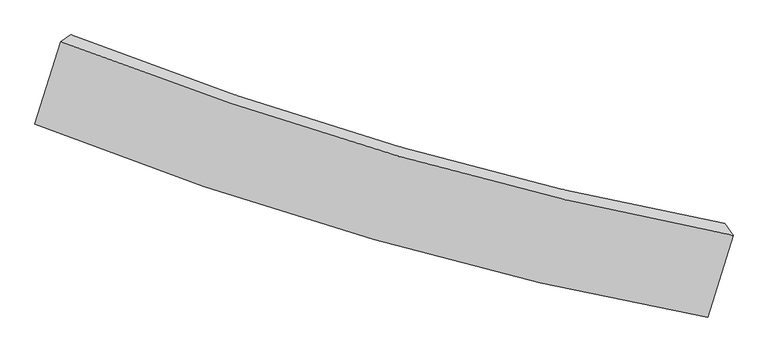
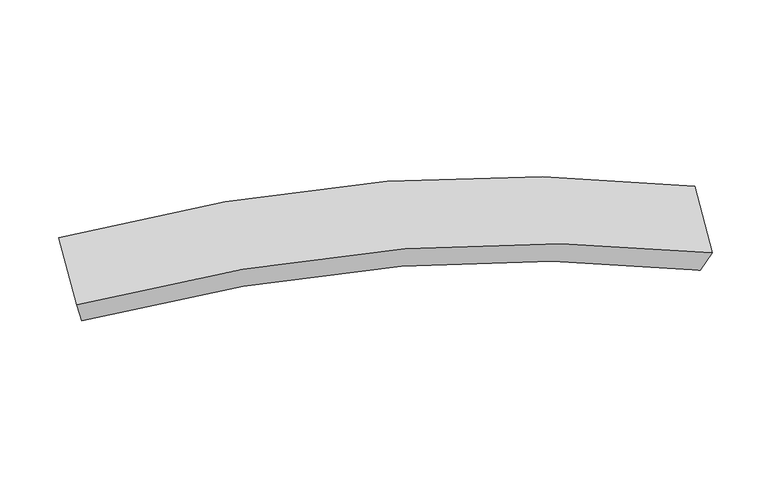
"""IFC4 building model written with IfcOpenShell, lengths in millimetres: proxy geometry."""

from ifc_helpers import new_model, si_unit, frame, origin, place, context, project, spatial, source, transform, mapped, element, save
from ifc_brep_helpers import plane_surface, spline_curve, spline_surface, advanced_brep


def generic_models_00a2d7b9(model_context):
    return source(origin(), model_context, "Body", "AdvancedBrep", [
        advanced_brep(
        [(2115.7656423, -2053.9624145, 1230.0456235), (2283.6929011, -1515.0010716, 1413.9323272), (-2145.5822261, -236.7200757, 1748.5677341), (-2315.2790465, -781.360814, 1562.7432935), (2228.7852517, -1437.4513728, 1236.7808631), (-2080.1774394, -192.426788, 1559.0183233), (2060.8579928, -1976.4127156, 1052.8941595), (-2249.8742598, -737.0675263, 1373.1938826)],
        [
            (0, 1),
            (1, 2, spline_curve(3, [(2283.6929011, -1515.0010716, 1413.9323272), (1549.239492822, -1377.77777858, 1686.628534714), (816.900676774, -1204.202154624, 1851.743224191), (-659.61846512, -779.726172438, 1968.075751117), (-1403.704691662, -527.208131394, 1914.506197182), (-2145.5822261, -236.7200757, 1748.5677341)], [4, 2, 4], [0.0, 7.599684232052015, 15.366621478236972])),
            (2, 3),
            (3, 0, spline_curve(3, [(-2315.2790465, -781.360814, 1562.7432935), (-1574.365735121, -1074.943536714, 1727.625895832), (-830.605681725, -1328.508428306, 1780.838277826), (646.530497635, -1751.004032539, 1665.181430467), (1379.785340678, -1921.639674502, 1501.069825246), (2115.7656423, -2053.9624145, 1230.0456235)], [4, 2, 4], [0.0, 7.766937246184957, 15.366621478236972])),
            (1, 4),
            (4, 5, spline_curve(3, [(2228.7852517, -1437.4513728, 1236.7808631), (1513.873613949, -1304.150730941, 1503.128385817), (801.221005046, -1135.269147491, 1664.023388406), (-635.200419172, -721.844308763, 1776.128525851), (-1358.868707095, -475.717697235, 1722.646009836), (-2080.1774394, -192.426788, 1559.0183233)], [4, 2, 4], [0.0, 7.497318813578054, 15.159637794425947])),
            (5, 2),
            (4, 6),
            (6, 7, spline_curve(3, [(2060.8579928, -1976.4127156, 1052.8941595), (1344.419461857, -1848.012626729, 1317.569676255), (630.850825918, -1682.071025535, 1477.461594732), (-806.187635789, -1270.626564296, 1588.891052508), (-1529.529750519, -1023.453102488, 1535.765708373), (-2249.8742598, -737.0675263, 1373.1938826)], [4, 2, 4], [0.0, 7.394963421632218, 14.9526743843339])),
            (7, 5),
            (6, 0),
            (3, 7),
        ],
        [
            spline_surface(3, 3, [[(2115.7656423, -2053.9624145, 1230.0456235), (1379.785340791, -1921.639674594, 1501.069825125), (646.530497708, -1751.00403266, 1665.181430419), (-830.6056818, -1328.508428182, 1780.838277875), (-1574.365734995, -1074.943536591, 1727.625895916), (-2315.2790465, -781.360814, 1562.7432935)], [(2171.74139525, -1874.308633546, 1291.341191395), (1436.27005816, -1740.352375959, 1562.92272832), (703.320557416, -1568.73673996, 1727.368695031), (-773.609942927, -1145.58100966, 1843.250768959), (-1517.478720501, -892.365068196, 1789.919329688), (-2258.713439676, -599.813901232, 1624.68477371)], [(2227.71714815, -1694.654852554, 1352.636759305), (1492.754775479, -1559.065077285, 1624.77563153), (760.110617124, -1386.469447204, 1789.555959607), (-716.614204052, -962.653591082, 1905.663260006), (-1460.591706081, -709.786599805, 1852.212763428), (-2202.147832924, -418.266988468, 1686.62625389)], [(2283.6929011, -1515.0010716, 1413.9323272), (1549.239492847, -1377.77777865, 1686.628534725), (816.900676831, -1204.202154505, 1851.743224219), (-659.618465178, -779.72617256, 1968.075751089), (-1403.704691588, -527.208131409, 1914.5061972), (-2145.5822261, -236.7200757, 1748.5677341)]], [4, 4], [4, 2, 4], [0.0, 1.9798626512139317], [0.0, 7.599684232052015, 15.366621478236972]),
            spline_surface(3, 3, [[(2283.6929011, -1515.0010716, 1413.9323272), (1549.239492847, -1377.77777865, 1686.628534725), (816.900676831, -1204.202154505, 1851.743224219), (-659.618465178, -779.72617256, 1968.075751089), (-1403.704691588, -527.208131409, 1914.5061972), (-2145.5822261, -236.7200757, 1748.5677341)], [(2265.390351288, -1489.151171984, 1354.881839197), (1537.450866549, -1353.235429358, 1625.461818447), (811.674119566, -1181.224485446, 1789.169945639), (-651.479116465, -760.432217987, 1904.093342635), (-1388.759363448, -510.0446534, 1850.552801398), (-2123.780630534, -221.955646478, 1685.384597151)], [(2247.087801512, -1463.301272416, 1295.831351103), (1525.662240288, -1328.693080114, 1564.295102078), (806.44756224, -1158.246816432, 1726.596667084), (-643.339767813, -741.138263456, 1840.110934205), (-1373.814035308, -492.881175356, 1786.599405644), (-2101.979034966, -207.191217222, 1622.201460249)], [(2228.7852517, -1437.4513728, 1236.7808631), (1513.87361399, -1304.150730822, 1503.1283858), (801.221004976, -1135.269147374, 1664.023388504), (-635.2004191, -721.844308883, 1776.128525751), (-1358.868707168, -475.717697346, 1722.646009843), (-2080.1774394, -192.426788, 1559.0183233)]], [4, 4], [4, 2, 4], [0.0, 0.6568424155750567], [0.0, 7.497318813578054, 15.159637794425947]),
            spline_surface(3, 3, [[(2228.7852517, -1437.4513728, 1236.7808631), (1513.87361399, -1304.150730822, 1503.1283858), (801.221004976, -1135.269147374, 1664.023388504), (-635.2004191, -721.844308883, 1776.128525751), (-1358.868707168, -475.717697346, 1722.646009843), (-2080.1774394, -192.426788, 1559.0183233)], [(2172.80949875, -1617.105153754, 1175.485295205), (1457.388896622, -1485.438029457, 1441.275482605), (744.430945269, -1317.536440074, 1601.836123892), (-692.196157974, -904.771727404, 1713.716034667), (-1415.755721661, -658.296165741, 1660.352576071), (-2136.743046224, -373.973700768, 1497.07684309)], [(2116.83374575, -1796.758934646, 1114.189727395), (1400.904179203, -1666.72532803, 1379.422579494), (687.640885561, -1499.80373273, 1539.648859316), (-749.191896849, -1087.699145882, 1651.30354362), (-1472.642736081, -840.874634132, 1598.059142231), (-2193.308652976, -555.520613532, 1435.13536281)], [(2060.8579928, -1976.4127156, 1052.8941595), (1344.419461835, -1848.012626665, 1317.569676299), (630.850825853, -1682.071025429, 1477.461594704), (-806.187635722, -1270.626564404, 1588.891052537), (-1529.529750575, -1023.453102527, 1535.765708459), (-2249.8742598, -737.0675263, 1373.1938826)]], [4, 4], [4, 2, 4], [0.0, 1.9798626512139308], [0.0, 7.394963421632218, 14.9526743843339]),
            spline_surface(3, 3, [[(2060.8579928, -1976.4127156, 1052.8941595), (1344.419461835, -1848.012626665, 1317.569676299), (630.850825853, -1682.071025429, 1477.461594704), (-806.187635722, -1270.626564404, 1588.891052537), (-1529.529750575, -1023.453102527, 1535.765708459), (-2249.8742598, -737.0675263, 1373.1938826)], [(2079.160542612, -2002.262615216, 1111.944647503), (1356.208088133, -1872.554975957, 1378.736392577), (636.077383118, -1705.048694487, 1540.034873284), (-814.326984435, -1289.920518978, 1652.873460991), (-1544.475078714, -1040.616580537, 1599.71910426), (-2271.675855366, -751.831955522, 1436.377019549)], [(2097.463092488, -2028.112514884, 1170.995135497), (1367.996714494, -1897.097325302, 1439.903108847), (641.303940444, -1728.026363602, 1602.608151839), (-822.466333087, -1309.214473608, 1716.855869421), (-1559.420406855, -1057.780058581, 1663.672500115), (-2293.477450934, -766.596384778, 1499.560156551)], [(2115.7656423, -2053.9624145, 1230.0456235), (1379.785340791, -1921.639674594, 1501.069825125), (646.530497708, -1751.00403266, 1665.181430419), (-830.6056818, -1328.508428182, 1780.838277875), (-1574.365734995, -1074.943536591, 1727.625895916), (-2315.2790465, -781.360814, 1562.7432935)]], [4, 4], [4, 2, 4], [0.0, 0.6568424155750575], [0.0, 7.497346537249718, 15.15969385190879]),
            plane_surface(frame((-2197.7282429, -486.893801, 1560.8808084), z_axis=(-0.9047403050596776, 0.35972814383703117, -0.22812418313735522), x_axis=(0.2828432501480604, 0.9077833995698603, 0.3097240631773211))),
            plane_surface(frame((2172.275447, -1745.7068936, 1233.4132433), z_axis=(0.9194540961734838, -0.16465471086937222, -0.3570616070348727), x_axis=(-0.2731370734182448, 0.38576952400871717, -0.8812366387472802))),
        ],
        [
            (0, [[1, 2, 3, 4]]),
            (1, [[5, 6, 7, -2]]),
            (2, [[8, 9, 10, -6]]),
            (3, [[11, -4, 12, -9]]),
            (4, [[-3, -7, -10, -12]]),
            (5, [[-11, -8, -5, -1]]),
        ],
    ),
    ])


if __name__ == "__main__":
    model = new_model("IFC4")
    model_context = context("Model", 3, world=origin())
    ifc_project = project(units=[si_unit("LENGTHUNIT", "METRE", prefix="MILLI")], contexts=[model_context])
    site = spatial("IfcSite", under=ifc_project)
    building = spatial("IfcBuilding", under=site)
    placement = place(None, origin())
    generic_models_shape = generic_models_00a2d7b9(model_context)
    element("IfcBuildingElementProxy", 1, Name="Generic Models", at=placement, inside=building, context=model_context, shape_type="MappedRepresentation", body=[
        mapped(generic_models_shape, transform((0.0, 0.0, 0.0), x_axis=(1.0, 0.0, 0.0), y_axis=(0.0, 1.0, 0.0), z_axis=(0.0, 0.0, 1.0))),
    ])
    save(model, "model.ifc")
